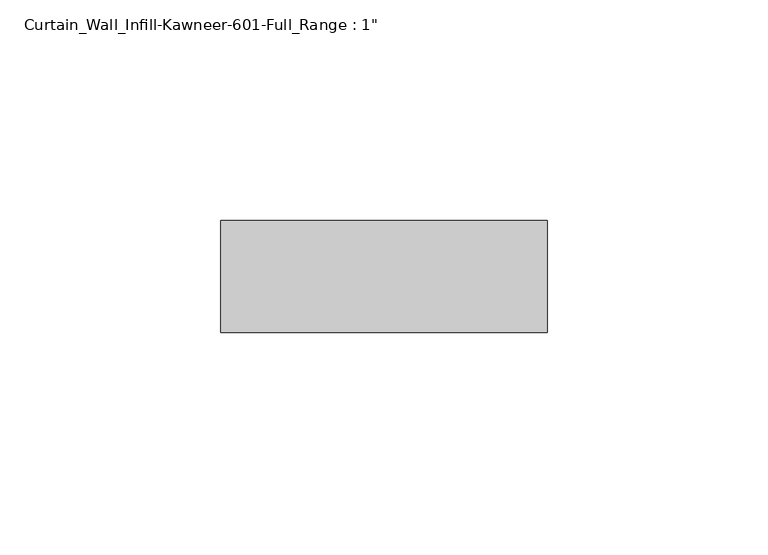
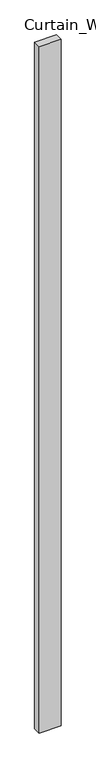
"""IFC4 building model written with IfcOpenShell, lengths in millimetres: plate geometry."""

from ifc_helpers import new_model, si_unit, origin, origin_with_axes, place, context, project, spatial, polyline, outline, extrude, source, transform, mapped, element, save


def plate_18a96791(model_context):
    return source(origin(), model_context, "Body", "SweptSolid", [
        extrude(outline(polyline([(-36.985575, -12.7), (-36.985575, 12.7), (36.985575, 12.7), (36.985575, -12.7), (-36.985575, -12.7)])), origin_with_axes(), (0.0, 0.0, 1.0), 2438.4),
    ])


if __name__ == "__main__":
    model = new_model("IFC4")
    model_context = context("Model", 3, world=origin())
    ifc_project = project(units=[si_unit("LENGTHUNIT", "METRE", prefix="MILLI")], contexts=[model_context])
    site = spatial("IfcSite", under=ifc_project)
    building = spatial("IfcBuilding", under=site)
    placement = place(None, origin())
    plate_shape = plate_18a96791(model_context)
    element("IfcPlate", 1, ObjectType="Curtain_Wall_Infill-Kawneer-601-Full_Range : 1\"", at=placement, inside=building, context=model_context, shape_type="MappedRepresentation", body=[
        mapped(plate_shape, transform((0.0, 0.0, 0.0), x_axis=(1.0, 0.0, 0.0), y_axis=(0.0, 1.0, 0.0), z_axis=(0.0, 0.0, 1.0))),
    ])
    save(model, "model.ifc")
